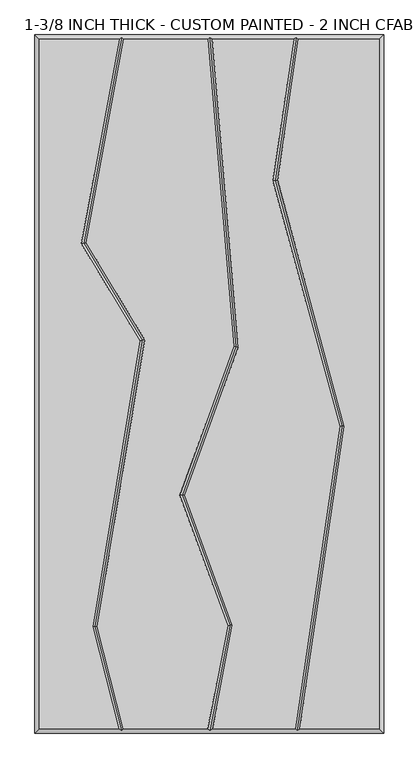
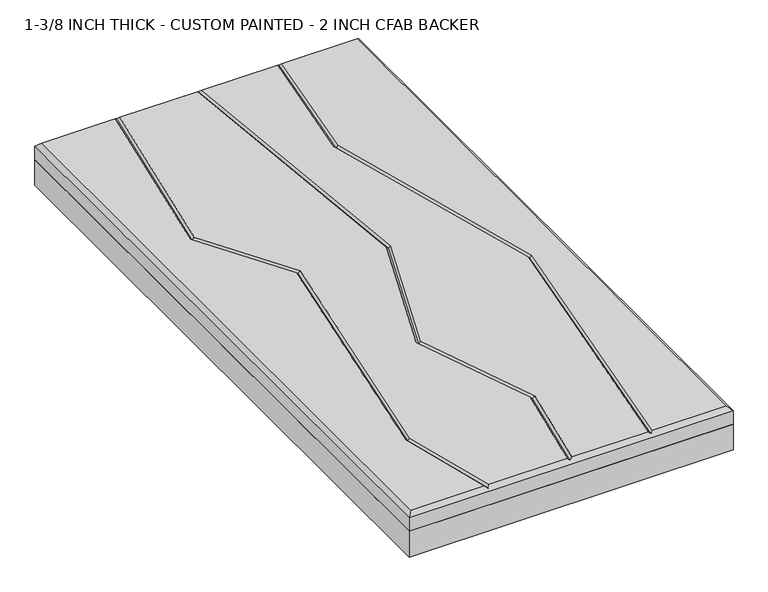
"""IFC4 building model written with IfcOpenShell, lengths in millimetres: proxy geometry, 1-3/8 INCH THICK - CUSTOM PAINTED - 2 INCH CFAB BACKER."""

from ifc_helpers import new_model, si_unit, frame, origin, place, context, project, spatial, polyline, outline, extrude, faceted_brep, source, transform, mapped, element, save


def proxy_1_3_8_inch_thick_custom_painted_2_inch_cfab_backer_db44432c(model_context):
    return source(origin(), model_context, "Body", "SolidModel", [
        extrude(outline(polyline([(-304.8, 609.6), (304.8, 609.6), (304.8, -609.6), (-304.8, -609.6), (-304.8, 609.6)])), frame((0.0, 0.0, -50.8), z_axis=(0.0, 0.0, 1.0), x_axis=(1.0, 0.0, 0.0)), (0.0, 0.0, 1.0), 50.8),
        faceted_brep([(-296.799, 601.599, 34.925), (-296.799, -601.599, 34.925), (-158.5803509, -601.599, 34.925), (-204.1076125, -423.9126768, 34.925), (-121.6761617, 75.6458719, 34.925), (-223.5207333, 244.8349563, 34.925), (-157.9388411, 601.599, 34.925), (296.799, -601.599, 34.925), (296.799, 601.599, 34.925), (155.2631596, 601.599, 34.925), (118.9316967, 355.4997887, 34.925), (235.610381, -73.3512983, 34.925), (157.6255242, -601.599, 34.925), (-195.9395558, -423.5559486, 34.925), (-150.3208924, -601.599, 34.925), (-2.5427902, -601.599, 34.925), (31.8547327, -421.752345, 34.925), (-51.4382369, -194.5897006, 34.925), (42.0141797, 65.5616213, 34.925), (-3.3378717, 601.599, 34.925), (-149.8037818, 601.599, 34.925), (-215.1040836, 246.3668022, 34.925), (-113.3024346, 77.2490229, 34.925), (40.1296065, -421.0786666, 34.925), (5.6032357, -601.599, 34.925), (149.5378056, -601.599, 34.925), (227.4508614, -73.8376585, 34.925), (110.7721771, 355.0134284, 34.925), (147.175441, 601.599, 34.925), (4.6917136, 601.599, 34.925), (50.1337385, 64.4981813, 34.925), (-42.9266108, -194.5617101, 34.925), (-304.8, 609.6, 0.0), (304.8, 609.6, 0.0), (304.8, -609.6, 0.0), (-304.8, -609.6, 0.0), (-304.8, -609.6, 26.924), (-304.8, 609.6, 26.924), (304.8, -609.6, 26.924), (304.8, 609.6, 26.924), (-153.1359224, 605.5995, 30.9245), (0.3384541, 605.5995, 30.9245), (151.8098914, 605.5995, 30.9245), (152.9910738, -605.5995, 30.9245), (0.765086, -605.5995, 30.9245), (-153.4256029, -605.5995, 30.9245), (-200.0235842, -423.7343127, 30.9245), (-117.4892982, 76.4474474, 30.9245), (-219.3124085, 245.6008793, 30.9245), (35.9921696, -421.4155058, 30.9245), (-47.1824239, -194.5757053, 30.9245), (46.0739591, 65.0299013, 30.9245), (231.5306212, -73.5944784, 30.9245), (114.8519369, 355.2566085, 30.9245)], [[[0, 1, 2, 3, 4, 5, 6]], [[7, 8, 9, 10, 11, 12]], [[13, 14, 15, 16, 17, 18, 19, 20, 21, 22]], [[23, 24, 25, 26, 27, 28, 29, 30, 31]], [[32, 33, 34, 35]], [[32, 35, 36, 37]], [[35, 34, 38, 36]], [[34, 33, 39, 38]], [[33, 32, 37, 39]], [[37, 0, 6, 40, 20, 19, 41, 29, 28, 42, 9, 8, 39]], [[0, 37, 36, 1]], [[1, 36, 38, 7, 12, 43, 25, 24, 44, 15, 14, 45, 2]], [[39, 8, 7, 38]], [[46, 3, 2, 45]], [[13, 46, 45, 14]], [[3, 46, 47, 4]], [[46, 13, 22, 47]], [[4, 47, 48, 5]], [[47, 22, 21, 48]], [[5, 48, 40, 6]], [[48, 21, 20, 40]], [[49, 16, 15, 44]], [[23, 49, 44, 24]], [[16, 49, 50, 17]], [[49, 23, 31, 50]], [[17, 50, 51, 18]], [[50, 31, 30, 51]], [[18, 51, 41, 19]], [[51, 30, 29, 41]], [[52, 26, 25, 43]], [[11, 52, 43, 12]], [[26, 52, 53, 27]], [[52, 11, 10, 53]], [[27, 53, 42, 28]], [[53, 10, 9, 42]]]),
    ])


if __name__ == "__main__":
    model = new_model("IFC4")
    model_context = context("Model", 3, world=origin())
    ifc_project = project(units=[si_unit("LENGTHUNIT", "METRE", prefix="MILLI")], contexts=[model_context])
    site = spatial("IfcSite", under=ifc_project)
    building = spatial("IfcBuilding", under=site)
    placement = place(None, origin())
    proxy_1_3_8_inch_thick_custom_painted_2_inch_cfab_backer_shape = proxy_1_3_8_inch_thick_custom_painted_2_inch_cfab_backer_db44432c(model_context)
    element("IfcBuildingElementProxy", 1, Name="1-3/8 INCH THICK - CUSTOM PAINTED - 2 INCH CFAB BACKER", ObjectType="1-3/8 INCH THICK - CUSTOM PAINTED - 2 INCH CFAB BACKER", at=placement, inside=building, context=model_context, shape_type="MappedRepresentation", body=[
        mapped(proxy_1_3_8_inch_thick_custom_painted_2_inch_cfab_backer_shape, transform((0.0, 0.0, 0.0), x_axis=(1.0, 0.0, 0.0), y_axis=(0.0, 1.0, 0.0), z_axis=(0.0, 0.0, 1.0))),
    ])
    save(model, "model.ifc")
